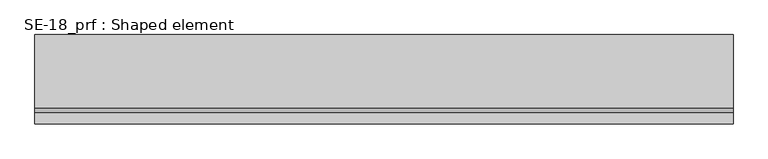
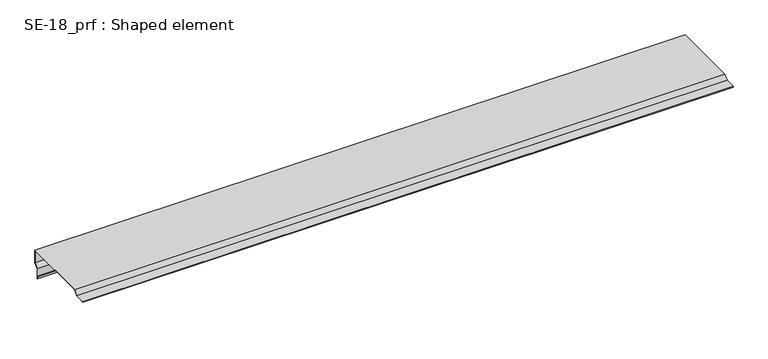
"""IFC4 building model written with IfcOpenShell, lengths in millimetres: proxy geometry, SE-18_prf : Shaped element."""

from ifc_helpers import new_model, si_unit, frame, origin, place, context, project, spatial, polyline, outline, extrude, source, transform, mapped, element, save


def se_18_prf_shaped_element_cc59ea87(model_context):
    return source(origin(), model_context, "Body", "SweptSolid", [
        extrude(outline(polyline([(20.0, 20.0), (20.0, -31.0), (5.0, -46.0), (5.0, -86.0), (2.0, -86.0), (2.0, -76.0), (3.0, -76.0), (3.0, -85.0), (4.0, -85.0), (4.0, -45.5857864), (19.0, -30.5857864), (19.0, 19.0), (-244.5857864, 19.0), (-259.5857864, 4.0), (-299.0, 4.0), (-299.0, 3.0), (-290.0, 3.0), (-290.0, 2.0), (-300.0, 2.0), (-300.0, 5.0), (-260.0, 5.0), (-245.0, 20.0), (20.0, 20.0)])), frame((0.0, 0.0, 0.0), z_axis=(1.0, 0.0, 0.0), x_axis=(0.0, 1.0, 0.0)), (0.0, 0.0, 1.0), 2500.0),
    ])


if __name__ == "__main__":
    model = new_model("IFC4")
    model_context = context("Model", 3, world=origin())
    ifc_project = project(units=[si_unit("LENGTHUNIT", "METRE", prefix="MILLI")], contexts=[model_context])
    site = spatial("IfcSite", under=ifc_project)
    building = spatial("IfcBuilding", under=site)
    placement = place(None, origin())
    se_18_prf_shaped_element_shape = se_18_prf_shaped_element_cc59ea87(model_context)
    element("IfcBuildingElementProxy", 1, Name="SE-18_prf : Shaped element", ObjectType="SE-18_prf : Shaped element", at=placement, inside=building, context=model_context, shape_type="MappedRepresentation", body=[
        mapped(se_18_prf_shaped_element_shape, transform((0.0, 0.0, 0.0), x_axis=(1.0, 0.0, 0.0), y_axis=(0.0, 1.0, 0.0), z_axis=(0.0, 0.0, 1.0))),
    ])
    save(model, "model.ifc")
